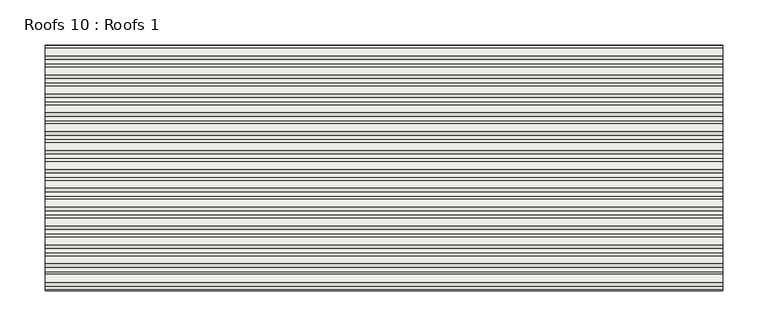
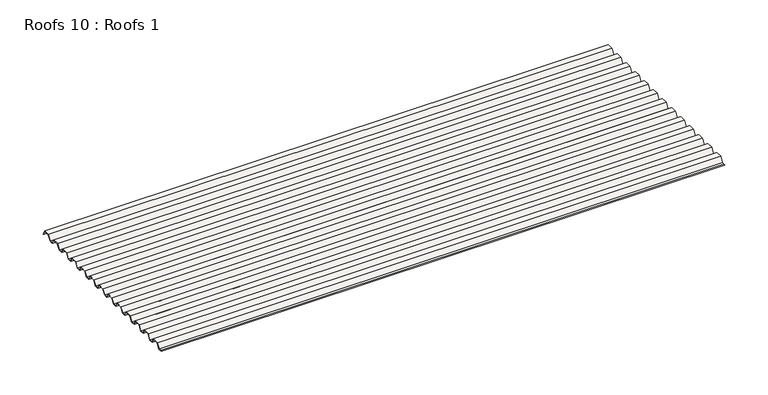
"""IFC4 building model written with IfcOpenShell, lengths in millimetres: roof geometry, Roofs 10 : Roofs 1."""

import ifcopenshell
import ifcopenshell.guid

model = None  # the IFC model being written
_history = None  # IfcOwnerHistory: only IFC2X3 demands one
_inside = {}  # id of a spatial element -> (the spatial element, [elements in it])
_under = {}  # id of a project, library or spatial element -> (it, [spatial elements below it])
_declared = {}  # id of a project -> (the project, [libraries it declares])
_typed = {}  # id of a type object -> (the type object, [elements of that type])
_made_of = {}  # id of a material, layer set ... -> (it, [elements and type objects made of it])


def new_model(schema):
    """Start an empty IFC model of exactly this schema.

    Asked for "IFC4X3", IfcOpenShell would pick the latest addendum, in which some entities
    have other attributes; the version numbers below select the first issue.
    IFC2X3 requires an IfcOwnerHistory on every rooted entity: one is made here for all.
    """
    global model, _history
    if schema == "IFC4X3":
        model = ifcopenshell.file(schema_version=(4, 3, 0, 0))
    else:
        model = ifcopenshell.file(schema=schema)
    _inside.clear()
    _under.clear()
    _declared.clear()
    _typed.clear()
    _made_of.clear()
    _history = None
    if model.schema == "IFC2X3":
        org = make("IfcOrganization", Name="unknown")
        user = make(
            "IfcPersonAndOrganization",
            ThePerson=make("IfcPerson", FamilyName="unknown"),
            TheOrganization=org,
        )
        app = make(
            "IfcApplication",
            ApplicationDeveloper=org,
            Version="unknown",
            ApplicationFullName="unknown",
            ApplicationIdentifier="unknown",
        )
        _history = make(
            "IfcOwnerHistory",
            OwningUser=user,
            OwningApplication=app,
            ChangeAction="ADDED",
            CreationDate=0,
        )
    return model


def make(cls, **values):
    """One entity of the class cls with the attributes given. An attribute that is None is left unset."""
    return model.create_entity(
        cls, **{name: value for name, value in values.items() if value is not None}
    )


def rooted(cls, **values):
    """An entity with a GlobalId (a new one), such as an element, a storey or a relation."""
    return make(cls, GlobalId=ifcopenshell.guid.new(), OwnerHistory=_history, **values)


def si_unit(unit_type, name, prefix=None):
    """IfcSIUnit, for example si_unit("LENGTHUNIT", "METRE", prefix="MILLI")."""
    return make("IfcSIUnit", UnitType=unit_type, Prefix=prefix, Name=name)


def assignment(units):
    """IfcUnitAssignment: the units of a project."""
    return None if units is None else make("IfcUnitAssignment", Units=units)


def point(xyz):
    """IfcCartesianPoint."""
    return None if xyz is None else make("IfcCartesianPoint", Coordinates=xyz)


def direction(xyz):
    """IfcDirection."""
    return None if xyz is None else make("IfcDirection", DirectionRatios=xyz)


def frame(location, z_axis=None, x_axis=None):
    """IfcAxis2Placement3D, a coordinate frame: its origin and axes. An axis left out is left unset."""
    return make(
        "IfcAxis2Placement3D",
        Location=point(location),
        Axis=direction(z_axis),
        RefDirection=direction(x_axis),
    )


def origin():
    """The frame at (0, 0, 0) with its axes left unset."""
    return frame((0.0, 0.0, 0.0))


def place(relative_to, where):
    """IfcLocalPlacement: puts the frame where relative to a parent placement (None: the world)."""
    return make(
        "IfcLocalPlacement", PlacementRelTo=relative_to, RelativePlacement=where
    )


def context(
    kind, dimensions, precision=None, world=None, true_north=None, identifier=None
):
    """IfcGeometricRepresentationContext, for example the 3D "Model" context."""
    return make(
        "IfcGeometricRepresentationContext",
        ContextIdentifier=identifier,
        ContextType=kind,
        CoordinateSpaceDimension=dimensions,
        Precision=precision,
        WorldCoordinateSystem=world,
        TrueNorth=true_north,
    )


def project(units=None, contexts=None):
    """IfcProject with its units and contexts."""
    return rooted(
        "IfcProject",
        Name="project",
        RepresentationContexts=contexts,
        UnitsInContext=assignment(units),
    )


def spatial(cls, under=None, at=None, **own):
    """A site, building, storey or space (cls), placed at a placement, below another one or the project."""
    s = rooted(cls, ObjectPlacement=at, **own)
    if under is not None:
        _under.setdefault(under.id(), (under, []))[1].append(s)
    return s


def polyline(points):
    """IfcPolyline through the points."""
    return make("IfcPolyline", Points=[point(p) for p in points])


def outline(outer, holes=None, kind="AREA"):
    """IfcArbitraryClosedProfileDef: a profile drawn as a closed curve; with holes, ...WithVoids."""
    if holes is None:
        return make("IfcArbitraryClosedProfileDef", ProfileType=kind, OuterCurve=outer)
    return make(
        "IfcArbitraryProfileDefWithVoids",
        ProfileType=kind,
        OuterCurve=outer,
        InnerCurves=holes,
    )


def extrude(swept, where, along, depth):
    """IfcExtrudedAreaSolid: the profile swept, set in the frame where, extruded along a direction by depth."""
    return make(
        "IfcExtrudedAreaSolid",
        SweptArea=swept,
        Position=where,
        ExtrudedDirection=direction(along),
        Depth=depth,
    )


def shape(context_of_items, identifier, shape_type, items):
    """IfcShapeRepresentation: the items that make up one representation, for example the "Body"."""
    return make(
        "IfcShapeRepresentation",
        ContextOfItems=context_of_items,
        RepresentationIdentifier=identifier,
        RepresentationType=shape_type,
        Items=items,
    )


def source(mapping_origin, context_of_items, identifier, shape_type, items):
    """IfcRepresentationMap: a shape defined once, which mapped items show again and again."""
    return make(
        "IfcRepresentationMap",
        MappingOrigin=mapping_origin,
        MappedRepresentation=shape(context_of_items, identifier, shape_type, items),
    )


def transform(
    local_origin,
    x_axis=None,
    y_axis=None,
    z_axis=None,
    scale=None,
    scale2=None,
    scale3=None,
    uniform=True,
):
    """IfcCartesianTransformationOperator3D, or its non-uniform kind. x_axis, y_axis, z_axis: its Axis1, 2, 3."""
    if uniform:
        return make(
            "IfcCartesianTransformationOperator3D",
            Axis1=direction(x_axis),
            Axis2=direction(y_axis),
            LocalOrigin=point(local_origin),
            Scale=scale,
            Axis3=direction(z_axis),
        )
    return make(
        "IfcCartesianTransformationOperator3DnonUniform",
        Axis1=direction(x_axis),
        Axis2=direction(y_axis),
        LocalOrigin=point(local_origin),
        Scale=scale,
        Axis3=direction(z_axis),
        Scale2=scale2,
        Scale3=scale3,
    )


def mapped(mapping_source, mapping_target):
    """IfcMappedItem: shows the shape of a source again, moved by a transform."""
    return make(
        "IfcMappedItem", MappingSource=mapping_source, MappingTarget=mapping_target
    )


def made_of(thing, what):
    """Note that an element or type object is made of a material, layer set ...; save() writes the relation."""
    if what is not None:
        _made_of.setdefault(what.id(), (what, []))[1].append(thing)
    return thing


def element(
    cls,
    number,
    at=None,
    inside=None,
    cuts=None,
    type_object=None,
    material=None,
    context=None,
    identifier="Body",
    shape_type=None,
    held_by="IfcProductDefinitionShape",
    body=None,
    shapes=None,
    **own,
):
    """One element of the class cls, such as IfcWall. Its Tag is "e" and its number.

    at: its placement. inside: the storey or other place that contains it. cuts: it is an
    opening in that element (IfcRelVoidsElement). A single representation is given by context,
    identifier, shape_type and body (its items); several are given by shapes. held_by: the class
    of the entity that holds the representations. save() writes the other relations.
    """
    e = rooted(cls, Tag="e%d" % number, ObjectPlacement=at, **own)
    if body is not None:
        shapes = [shape(context, identifier, shape_type, body)]
    if shapes is not None:
        e.Representation = make(held_by, Representations=shapes)
    if inside is not None:
        _inside.setdefault(inside.id(), (inside, []))[1].append(e)
    if cuts is not None:
        rooted(
            "IfcRelVoidsElement", RelatingBuildingElement=cuts, RelatedOpeningElement=e
        )
    if type_object is not None:
        _typed.setdefault(type_object.id(), (type_object, []))[1].append(e)
    return made_of(e, material)


def aggregate(whole, parts):
    """IfcRelAggregates: a whole, such as a stair, and the parts it consists of."""
    return rooted("IfcRelAggregates", RelatingObject=whole, RelatedObjects=parts)


def save(model, path):
    """Write the relations noted so far, then the file.

    IfcRelAggregates (storeys below a building ...), IfcRelContainedInSpatialStructure (elements
    in a storey), IfcRelDefinesByType, IfcRelAssociatesMaterial and IfcRelDeclares: one each for
    every whole, place, type object, material and project.
    """
    for whole, parts in _under.values():
        aggregate(whole, parts)
    for where, things in _inside.values():
        rooted(
            "IfcRelContainedInSpatialStructure",
            RelatedElements=things,
            RelatingStructure=where,
        )
    for kind, things in _typed.values():
        rooted("IfcRelDefinesByType", RelatedObjects=things, RelatingType=kind)
    for what, things in _made_of.values():
        rooted("IfcRelAssociatesMaterial", RelatedObjects=things, RelatingMaterial=what)
    for by, libraries in _declared.values():
        rooted("IfcRelDeclares", RelatingContext=by, RelatedDefinitions=libraries)
    model.write(path)


def roofs_10_roofs_1_ef2e1695(model_context):
    return source(origin(), model_context, "Body", "SweptSolid", [
        extrude(outline(polyline([(-9498.8136811, 125.4967546), (-9504.1340331, 125.4967546), (-9502.6524582, 125.8936296), (-9499.0291486, 125.8936296), (-9494.907277, 132.239777), (-9486.2475422, 132.239777), (-9483.0145815, 125.8936296), (-9478.1529215, 125.8936296), (-9474.03105, 132.239777), (-9465.3713152, 132.239777), (-9462.1383544, 125.8936296), (-9457.2766945, 125.8936296), (-9453.1548229, 132.239777), (-9444.4950881, 132.239777), (-9441.2621273, 125.8936296), (-9436.4004674, 125.8936296), (-9432.2785958, 132.239777), (-9423.618861, 132.239777), (-9420.3859003, 125.8936296), (-9415.5242403, 125.8936296), (-9411.4023688, 132.239777), (-9402.742634, 132.239777), (-9399.5096732, 125.8936296), (-9394.6480132, 125.8936296), (-9390.5261417, 132.239777), (-9381.8664069, 132.239777), (-9378.6334461, 125.8936296), (-9373.7717862, 125.8936296), (-9369.6499146, 132.239777), (-9360.9901798, 132.239777), (-9357.7572191, 125.8936296), (-9352.8955591, 125.8936296), (-9348.7736876, 132.239777), (-9340.1139528, 132.239777), (-9336.880992, 125.8936296), (-9332.019332, 125.8936296), (-9327.8974605, 132.239777), (-9319.2377257, 132.239777), (-9316.0047649, 125.8936296), (-9311.143105, 125.8936296), (-9307.0212334, 132.239777), (-9298.3614986, 132.239777), (-9295.1285378, 125.8936296), (-9290.2668779, 125.8936296), (-9286.1450063, 132.239777), (-9277.4852716, 132.239777), (-9274.2523108, 125.8936296), (-9269.3906508, 125.8936296), (-9265.2687793, 132.239777), (-9256.6090445, 132.239777), (-9253.3760837, 125.8936296), (-9248.5144238, 125.8936296), (-9244.3925522, 132.239777), (-9235.7328174, 132.239777), (-9232.7757887, 126.4352711), (-9232.7430812, 125.4967546), (-9235.9760419, 131.842902), (-9244.1770848, 131.842902), (-9248.2989563, 125.4967546), (-9253.6193082, 125.4967546), (-9256.852269, 131.842902), (-9265.0533118, 131.842902), (-9269.1751834, 125.4967546), (-9274.4955353, 125.4967546), (-9277.7284961, 131.842902), (-9285.9295389, 131.842902), (-9290.0514104, 125.4967546), (-9295.3717624, 125.4967546), (-9298.6047232, 131.842902), (-9306.805766, 131.842902), (-9310.9276375, 125.4967546), (-9316.2479894, 125.4967546), (-9319.4809502, 131.842902), (-9327.681993, 131.842902), (-9331.8038646, 125.4967546), (-9337.1242165, 125.4967546), (-9340.3571773, 131.842902), (-9348.5582201, 131.842902), (-9352.6800917, 125.4967546), (-9358.0004436, 125.4967546), (-9361.2334044, 131.842902), (-9369.4344472, 131.842902), (-9373.5563187, 125.4967546), (-9378.8766707, 125.4967546), (-9382.1096314, 131.842902), (-9390.3106742, 131.842902), (-9394.4325458, 125.4967546), (-9399.7528977, 125.4967546), (-9402.9858585, 131.842902), (-9411.1869013, 131.842902), (-9415.3087729, 125.4967546), (-9420.6291248, 125.4967546), (-9423.8620856, 131.842902), (-9432.0631284, 131.842902), (-9436.1849999, 125.4967546), (-9441.5053519, 125.4967546), (-9444.7383126, 131.842902), (-9452.9393554, 131.842902), (-9457.061227, 125.4967546), (-9462.3815789, 125.4967546), (-9465.6145397, 131.842902), (-9473.8155825, 131.842902), (-9477.9374541, 125.4967546), (-9483.257806, 125.4967546), (-9486.4907668, 131.842902), (-9494.6918096, 131.842902), (-9498.8136811, 125.4967546)])), frame((-2537.9542149, 0.0, 0.0), z_axis=(1.0, 0.0, 0.0), x_axis=(0.0, 1.0, 0.0)), (0.0, 0.0, 1.0), 749.1973398),
    ])


if __name__ == "__main__":
    model = new_model("IFC4")
    model_context = context("Model", 3, world=origin())
    ifc_project = project(units=[si_unit("LENGTHUNIT", "METRE", prefix="MILLI")], contexts=[model_context])
    site = spatial("IfcSite", under=ifc_project)
    building = spatial("IfcBuilding", under=site)
    placement = place(None, origin())
    roofs_10_roofs_1_shape = roofs_10_roofs_1_ef2e1695(model_context)
    element("IfcRoof", 1, ObjectType="Roofs 10 : Roofs 1", at=placement, inside=building, context=model_context, shape_type="MappedRepresentation", body=[
        mapped(roofs_10_roofs_1_shape, transform((0.0, 0.0, 0.0), x_axis=(1.0, 0.0, 0.0), y_axis=(0.0, 1.0, 0.0), z_axis=(0.0, 0.0, 1.0))),
    ])
    save(model, "model.ifc")
